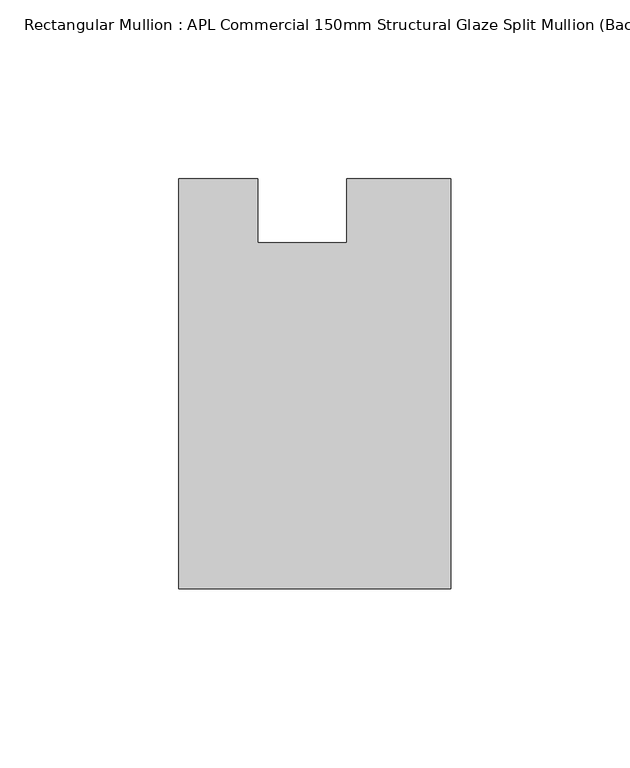
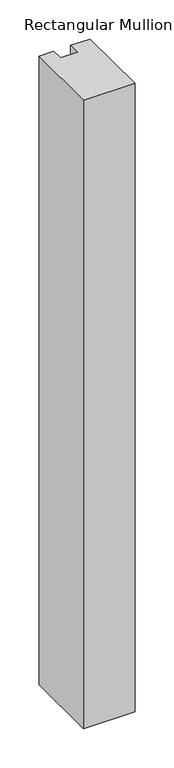
"""IFC4 building model written with IfcOpenShell, lengths in millimetres: member geometry, Rectangular Mullion : APL Commercial 150mm Structural Glaze Split Mullion (Back)."""

from ifc_helpers import new_model, si_unit, frame, origin, place, context, project, spatial, polyline, outline, extrude, source, transform, mapped, element, save


def rectangular_mullion_apl_commercial_150mm_structural_glaze_77b2f92d(model_context):
    return source(origin(), model_context, "Body", "SweptSolid", [
        extrude(outline(polyline([(37.9999914, -129.5195626), (-37.9999896, -129.5195626), (-37.9999896, -14.9960123), (-16.0, -14.9960123), (-16.0, -32.7960123), (9.0, -32.7960123), (9.0, -14.9960123), (37.9999914, -14.9960123), (37.9999914, -129.5195626)])), frame((0.0, 0.0, -983.6621216), z_axis=(0.0, 0.0, 1.0), x_axis=(1.0, 0.0, 0.0)), (0.0, 0.0, 1.0), 983.6621216),
    ])


if __name__ == "__main__":
    model = new_model("IFC4")
    model_context = context("Model", 3, world=origin())
    ifc_project = project(units=[si_unit("LENGTHUNIT", "METRE", prefix="MILLI")], contexts=[model_context])
    site = spatial("IfcSite", under=ifc_project)
    building = spatial("IfcBuilding", under=site)
    placement = place(None, origin())
    rectangular_mullion_apl_commercial_150mm_structural_glaze_shape = rectangular_mullion_apl_commercial_150mm_structural_glaze_77b2f92d(model_context)
    element("IfcMember", 1, ObjectType="Rectangular Mullion : APL Commercial 150mm Structural Glaze Split Mullion (Back)", at=placement, inside=building, context=model_context, shape_type="MappedRepresentation", body=[
        mapped(rectangular_mullion_apl_commercial_150mm_structural_glaze_shape, transform((0.0, 0.0, 0.0), x_axis=(1.0, 0.0, 0.0), y_axis=(0.0, 1.0, 0.0), z_axis=(0.0, 0.0, 1.0))),
    ])
    save(model, "model.ifc")
